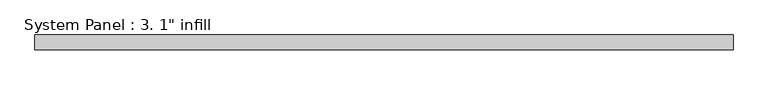
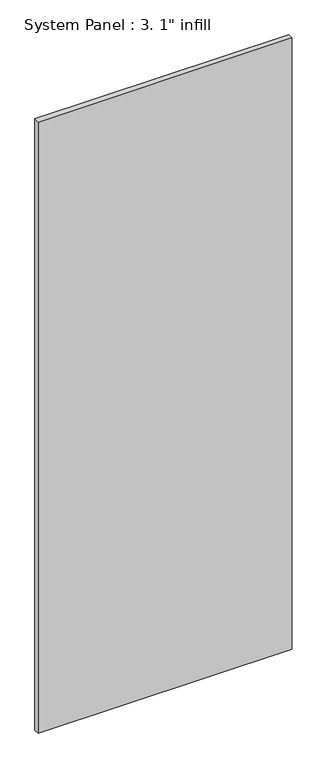
"""IFC4 building model written with IfcOpenShell, lengths in millimetres: plate geometry."""

from ifc_helpers import new_model, si_unit, origin, origin_with_axes, place, context, project, spatial, polyline, outline, extrude, source, transform, mapped, element, save


def plate_62304199(model_context):
    return source(origin(), model_context, "Body", "SweptSolid", [
        extrude(outline(polyline([(598.4875, 11.0132813), (-598.4875, 11.0132813), (-598.4875, 36.4132813), (598.4875, 36.4132813), (598.4875, 11.0132813)])), origin_with_axes(), (0.0, 0.0, 1.0), 3048.0),
    ])


if __name__ == "__main__":
    model = new_model("IFC4")
    model_context = context("Model", 3, world=origin())
    ifc_project = project(units=[si_unit("LENGTHUNIT", "METRE", prefix="MILLI")], contexts=[model_context])
    site = spatial("IfcSite", under=ifc_project)
    building = spatial("IfcBuilding", under=site)
    placement = place(None, origin())
    plate_shape = plate_62304199(model_context)
    element("IfcPlate", 1, ObjectType="System Panel : 3. 1\" infill", at=placement, inside=building, context=model_context, shape_type="MappedRepresentation", body=[
        mapped(plate_shape, transform((0.0, 0.0, 0.0), x_axis=(1.0, 0.0, 0.0), y_axis=(0.0, 1.0, 0.0), z_axis=(0.0, 0.0, 1.0))),
    ])
    save(model, "model.ifc")
